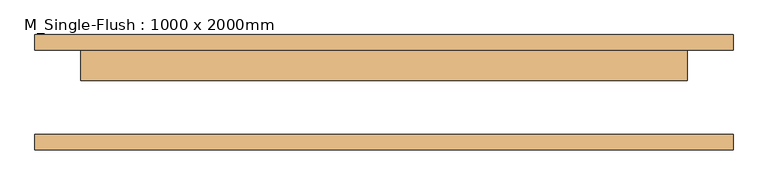
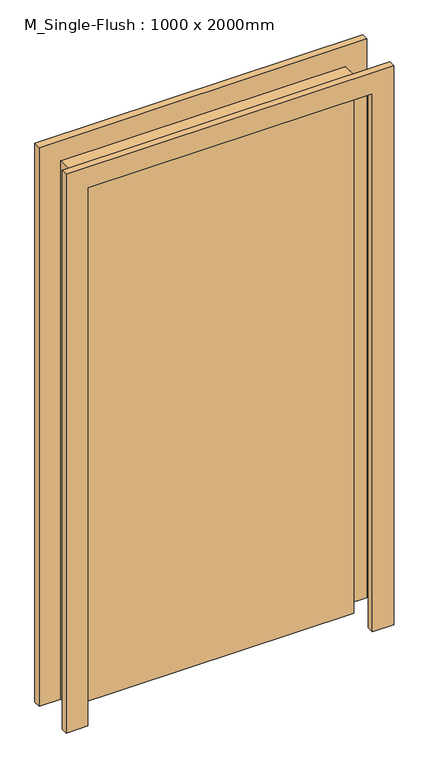
"""IFC4 building model written with IfcOpenShell, lengths in millimetres: door geometry, M_Single-Flush : 1000 x 2000mm."""

from ifc_helpers import new_model, si_unit, frame, origin, origin_with_axes, place, context, project, spatial, polyline, outline, extrude, source, transform, mapped, element, save


def m_single_flush_1000_x_2000mm_8c1a57eb(model_context):
    return source(origin(), model_context, "Body", "SweptSolid", [
        extrude(outline(polyline([(2076.0, -576.0), (0.0, -576.0), (0.0, -500.0), (2000.0, -500.0), (2000.0, 500.0), (0.0, 500.0), (0.0, 576.0), (2076.0, 576.0), (2076.0, -576.0)])), frame((0.0, 70.0, 0.0), z_axis=(0.0, 1.0, 0.0), x_axis=(0.0, 0.0, 1.0)), (0.0, 0.0, 1.0), 25.0),
        extrude(outline(polyline([(2076.0, 576.0), (2076.0, -576.0), (0.0, -576.0), (0.0, -500.0), (2000.0, -500.0), (2000.0, 500.0), (0.0, 500.0), (0.0, 576.0), (2076.0, 576.0)])), frame((0.0, -95.0, 0.0), z_axis=(0.0, 1.0, 0.0), x_axis=(0.0, 0.0, 1.0)), (0.0, 0.0, 1.0), 25.0),
        extrude(outline(polyline([(500.0, 19.0), (-500.0, 19.0), (-500.0, 70.0), (500.0, 70.0), (500.0, 19.0)])), origin_with_axes(), (0.0, 0.0, 1.0), 2000.0),
    ])


if __name__ == "__main__":
    model = new_model("IFC4")
    model_context = context("Model", 3, world=origin())
    ifc_project = project(units=[si_unit("LENGTHUNIT", "METRE", prefix="MILLI")], contexts=[model_context])
    site = spatial("IfcSite", under=ifc_project)
    building = spatial("IfcBuilding", under=site)
    placement = place(None, origin())
    m_single_flush_1000_x_2000mm_shape = m_single_flush_1000_x_2000mm_8c1a57eb(model_context)
    element("IfcDoor", 1, ObjectType="M_Single-Flush : 1000 x 2000mm", at=placement, inside=building, context=model_context, shape_type="MappedRepresentation", body=[
        mapped(m_single_flush_1000_x_2000mm_shape, transform((0.0, 0.0, 0.0), x_axis=(1.0, 0.0, 0.0), y_axis=(0.0, 1.0, 0.0), z_axis=(0.0, 0.0, 1.0))),
    ])
    save(model, "model.ifc")
